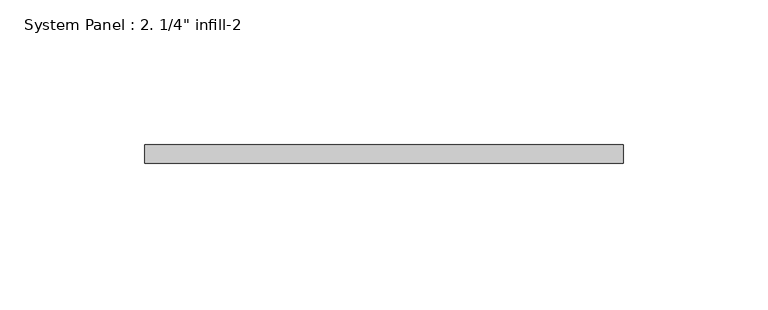
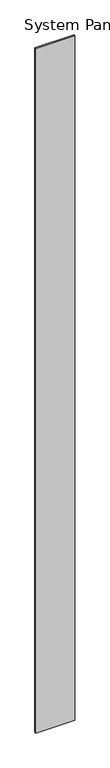
"""IFC4 building model written with IfcOpenShell, lengths in millimetres: plate geometry."""

from ifc_helpers import new_model, si_unit, origin, origin_with_axes, place, context, project, spatial, polyline, outline, extrude, source, transform, mapped, element, save


def plate_97947a3b(model_context):
    return source(origin(), model_context, "Body", "SweptSolid", [
        extrude(outline(polyline([(82.55, 0.0), (-82.55, 0.0), (-82.55, 6.35), (82.55, 6.35), (82.55, 0.0)])), origin_with_axes(), (0.0, 0.0, 1.0), 3048.0),
    ])


if __name__ == "__main__":
    model = new_model("IFC4")
    model_context = context("Model", 3, world=origin())
    ifc_project = project(units=[si_unit("LENGTHUNIT", "METRE", prefix="MILLI")], contexts=[model_context])
    site = spatial("IfcSite", under=ifc_project)
    building = spatial("IfcBuilding", under=site)
    placement = place(None, origin())
    plate_shape = plate_97947a3b(model_context)
    element("IfcPlate", 1, ObjectType="System Panel : 2. 1/4\" infill-2", at=placement, inside=building, context=model_context, shape_type="MappedRepresentation", body=[
        mapped(plate_shape, transform((0.0, 0.0, 0.0), x_axis=(1.0, 0.0, 0.0), y_axis=(0.0, 1.0, 0.0), z_axis=(0.0, 0.0, 1.0))),
    ])
    save(model, "model.ifc")
